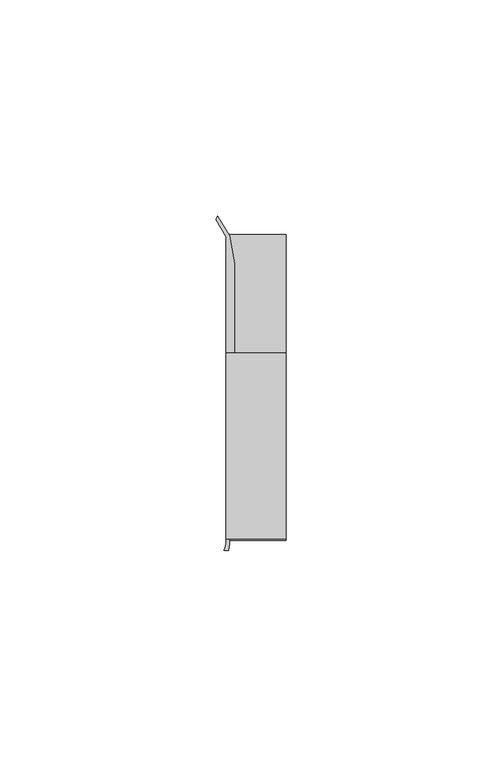
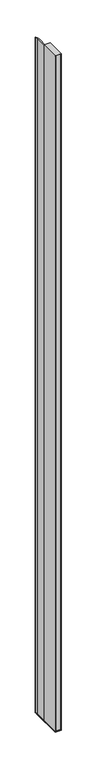
"""IFC4 building model written with IfcOpenShell, lengths in millimetres: furniture geometry."""

from ifc_helpers import new_model, si_unit, point, frame, frame_2d, origin, place, context, project, spatial, polyline, circle_curve, trimmed, segment, composite_curve, outline, extrude, source, transform, mapped, element, save


def furniture_0531228b(model_context):
    return source(origin(), model_context, "Body", "SweptSolid", [
        extrude(outline(polyline([(31.9660873, 18.9594777), (31.9660873, -24.0995273), (18.0754623, -24.0995273), (18.0754623, 18.9594777), (31.9660873, 18.9594777)])), frame((0.0, 0.0, 510.0293624), z_axis=(0.0, 0.0, 1.0), x_axis=(1.0, 0.0, 0.0)), (0.0, 0.0, 1.0), 1614.0456376),
        extrude(outline(composite_curve([segment(polyline([(16.1635657, 50.6802202), (18.9314847, 46.0995711), (20.0632119, 39.6814262), (20.0632119, 18.9594777), (18.8191063, 18.9594777), (18.8191063, -23.2485144), (31.9660873, -23.2485144), (31.2224462, -24.0995273), (18.7989737, -24.0995273)]), True, "CONTINUOUS"), segment(trimmed(circle_curve(frame_2d((14.8541445, -25.0314921)), 4.0534227), [point((18.7989737, -24.0995273))], [point((18.9075389, -25.0466572))], False, "CARTESIAN"), True, "CONTINUOUS"), segment(trimmed(circle_curve(frame_2d((12.1306413, -24.765085)), 6.7827446), [point((18.9075389, -25.0466572))], [point((18.6374949, -26.6798903))], False, "CARTESIAN"), True, "CONTINUOUS"), segment(polyline([(18.6374949, -26.6798903), (17.6611556, -26.683687)]), True, "CONTINUOUS"), segment(trimmed(circle_curve(frame_2d((12.0703756, -24.4226588)), 6.0306773), [point((17.6611556, -26.683687))], [point((18.0754623, -24.9776388))], True, "CARTESIAN"), True, "CONTINUOUS"), segment(polyline([(18.0754623, -24.9776388), (18.0754623, 45.8886719), (15.7452137, 49.8958113), (16.1635657, 50.6802202)]), True, "CONTINUOUS")], self_intersect=False)), frame((0.0, 0.0, 510.0293624), z_axis=(0.0, 0.0, 1.0), x_axis=(1.0, 0.0, 0.0)), (0.0, 0.0, 1.0), 1614.0456376),
        extrude(outline(polyline([(18.0754623, -24.0995273), (18.0754623, 46.6824219), (31.9660873, 46.6824219), (31.9660873, -24.0995273), (18.0754623, -24.0995273)])), frame((0.0, 0.0, 507.49708), z_axis=(0.0, 0.0, 1.0), x_axis=(1.0, 0.0, 0.0)), (0.0, 0.0, 1.0), 2.5322824),
    ])


if __name__ == "__main__":
    model = new_model("IFC4")
    model_context = context("Model", 3, world=origin())
    ifc_project = project(units=[si_unit("LENGTHUNIT", "METRE", prefix="MILLI")], contexts=[model_context])
    site = spatial("IfcSite", under=ifc_project)
    building = spatial("IfcBuilding", under=site)
    placement = place(None, origin())
    furniture_shape = furniture_0531228b(model_context)
    element("IfcFurniture", 1, at=placement, inside=building, context=model_context, shape_type="MappedRepresentation", body=[
        mapped(furniture_shape, transform((0.0, 0.0, 0.0), x_axis=(1.0, 0.0, 0.0), y_axis=(0.0, 1.0, 0.0), z_axis=(0.0, 0.0, 1.0))),
    ])
    save(model, "model.ifc")
